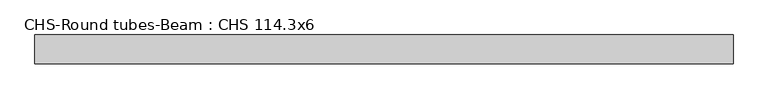
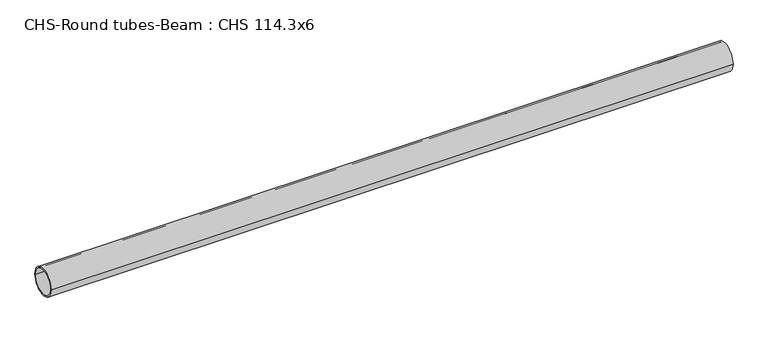
"""IFC4 building model written with IfcOpenShell, lengths in millimetres: beam geometry, CHS-Round tubes-Beam : CHS 114.3x6."""

from ifc_helpers import new_model, si_unit, point, frame, origin, origin_2d, place, context, project, spatial, circle_curve, trimmed, segment, composite_curve, outline, extrude, source, transform, mapped, element, save


def chs_round_tubes_beam_chs_114_3x6_5ff5a432(model_context):
    return source(origin(), model_context, "Body", "SweptSolid", [
        extrude(outline(composite_curve([segment(trimmed(circle_curve(origin_2d(), 57.15), [point((57.15, 0.0))], [point((-57.15, 0.0))], False, "CARTESIAN"), True, "CONTINUOUS"), segment(trimmed(circle_curve(origin_2d(), 57.15), [point((-57.15, 0.0))], [point((57.15, 0.0))], False, "CARTESIAN"), True, "CONTINUOUS")], self_intersect=False), holes=[composite_curve([segment(trimmed(circle_curve(origin_2d(), 51.15), [point((51.15, 0.0))], [point((-51.15, 0.0))], True, "CARTESIAN"), True, "CONTINUOUS"), segment(trimmed(circle_curve(origin_2d(), 51.15), [point((-51.15, 0.0))], [point((51.15, 0.0))], True, "CARTESIAN"), True, "CONTINUOUS")], self_intersect=False)]), frame((-1310.5744241, 0.0, 0.0), z_axis=(1.0, 0.0, 0.0), x_axis=(0.0, 1.0, 0.0)), (0.0, 0.0, 1.0), 2766.3118162),
    ])


if __name__ == "__main__":
    model = new_model("IFC4")
    model_context = context("Model", 3, world=origin())
    ifc_project = project(units=[si_unit("LENGTHUNIT", "METRE", prefix="MILLI")], contexts=[model_context])
    site = spatial("IfcSite", under=ifc_project)
    building = spatial("IfcBuilding", under=site)
    placement = place(None, origin())
    chs_round_tubes_beam_chs_114_3x6_shape = chs_round_tubes_beam_chs_114_3x6_5ff5a432(model_context)
    element("IfcBeam", 1, ObjectType="CHS-Round tubes-Beam : CHS 114.3x6", at=placement, inside=building, context=model_context, shape_type="MappedRepresentation", body=[
        mapped(chs_round_tubes_beam_chs_114_3x6_shape, transform((0.0, 0.0, 0.0), x_axis=(1.0, 0.0, 0.0), y_axis=(0.0, 1.0, 0.0), z_axis=(0.0, 0.0, 1.0))),
    ])
    save(model, "model.ifc")
